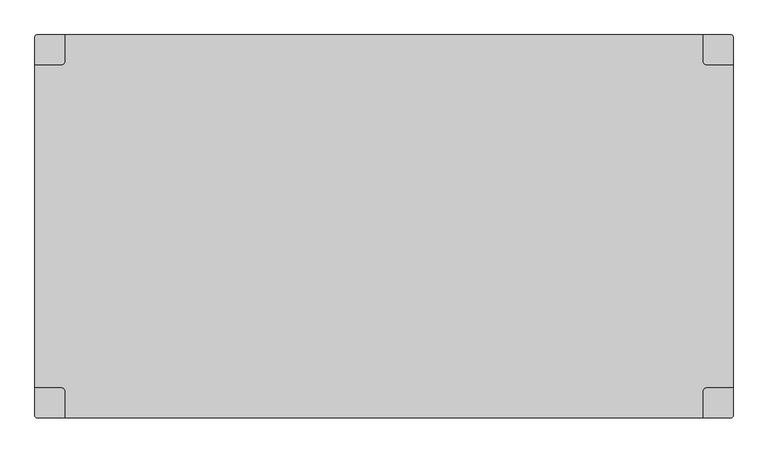
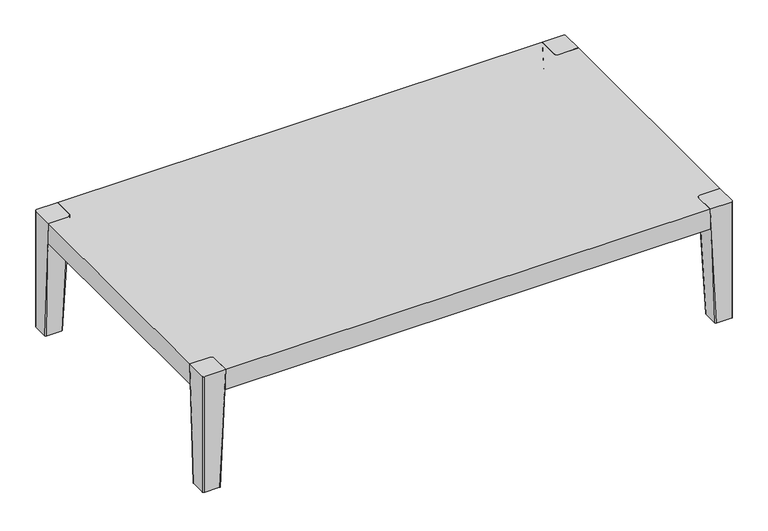
"""IFC4 building model written with IfcOpenShell, lengths in millimetres: furniture geometry."""

from ifc_helpers import new_model, si_unit, point, frame, frame_2d, origin, place, context, project, spatial, polyline, circle_curve, ellipse_curve, trimmed, segment, composite_curve, outline, extrude, source, transform, mapped, element, save
from ifc_brep_helpers import plane_surface, cylinder_surface, revolved_surface, spline_surface, advanced_brep


def furniture_fe912756(model_context):
    return source(origin(), model_context, "Body", "SolidModel", [
        advanced_brep(
        [(-542.3233778, -288.6885345, 0.0), (-528.599858, -288.6885345, 0.0), (-535.4616179, -288.6885345, 0.0), (-535.4616179, -288.6885345, 6.3500002), (-534.0524379, -288.6885345, 6.3500002), (-536.8707979, -288.6885345, 6.3500002), (-536.8707979, -288.6885345, 4.7625), (-534.0524379, -288.6885345, 4.7625), (-528.599858, -288.6885345, 1.6013961), (-542.3233778, -288.6885345, 1.6013961)],
        [
            (0, 1, circle_curve(frame((-535.4616179, -288.6885345, 0.0), z_axis=(0.0, 0.0, -1.0), x_axis=(1.0, 0.0, 0.0)), 6.8617599)),
            (1, 2),
            (2, 0),
            (1, 0, circle_curve(frame((-535.4616179, -288.6885345, 0.0), z_axis=(0.0, 0.0, -1.0), x_axis=(1.0, 0.0, 0.0)), 6.8617599)),
            (3, 4),
            (4, 5, circle_curve(frame((-535.4616179, -288.6885345, 6.3500002), z_axis=(0.0, 0.0, 1.0), x_axis=(1.0, 0.0, 0.0)), 1.40918)),
            (5, 3),
            (5, 4, circle_curve(frame((-535.4616179, -288.6885345, 6.3500002), z_axis=(0.0, 0.0, 1.0), x_axis=(1.0, 0.0, 0.0)), 1.40918)),
            (6, 7, circle_curve(frame((-535.4616179, -288.6885345, 4.7625), z_axis=(0.0, 0.0, -1.0), x_axis=(1.0, 0.0, 0.0)), 1.40918)),
            (7, 8, circle_curve(frame((-528.599858, -288.6885345, 7.8845184), z_axis=(0.0, -1.0, 0.0), x_axis=(1.0, 0.0, 0.0)), 6.2831224)),
            (8, 9, circle_curve(frame((-535.4616179, -288.6885345, 1.6013961), z_axis=(0.0, 0.0, 1.0), x_axis=(1.0, 0.0, 0.0)), 6.8617599)),
            (9, 6, circle_curve(frame((-542.3233778, -288.6885345, 7.8845184), z_axis=(0.0, -1.0, 0.0), x_axis=(-1.0, 0.0, 0.0)), 6.2831224)),
            (7, 6, circle_curve(frame((-535.4616179, -288.6885345, 4.7625), z_axis=(0.0, 0.0, -1.0), x_axis=(1.0, 0.0, 0.0)), 1.40918)),
            (9, 8, circle_curve(frame((-535.4616179, -288.6885345, 1.6013961), z_axis=(0.0, 0.0, 1.0), x_axis=(1.0, 0.0, 0.0)), 6.8617599)),
            (8, 1, circle_curve(frame((-528.599858, -288.6885345, 0.800698), z_axis=(0.0, 1.0, 0.0), x_axis=(1.0, 0.0, 0.0)), 0.800698)),
            (0, 9, circle_curve(frame((-542.3233778, -288.6885345, 0.800698), z_axis=(0.0, 1.0, 0.0), x_axis=(-1.0, 0.0, 0.0)), 0.800698)),
            (4, 7),
            (6, 5),
        ],
        [
            plane_surface(frame((-535.4616179, -288.6885345, 0.0), z_axis=(0.0, 0.0, -1.0), x_axis=(1.0, 0.0, 0.0))),
            plane_surface(frame((-535.4616179, -288.6885345, 6.3500002), z_axis=(0.0, 0.0, 1.0), x_axis=(1.0, 0.0, 0.0))),
            revolved_surface(trimmed(ellipse_curve(frame((-528.599858, -288.6885345, 7.8845184), z_axis=(0.0, 1.0, 0.0), x_axis=(1.0, 0.0, 0.0)), 6.2831224, 6.2831224), [point((-528.599858, -288.6885345, 1.6013961))], [point((-534.0524379, -288.6885345, 4.7625))], True, "CARTESIAN"), (-535.4616179, -288.6885345, 0.0), (0.0, 0.0, 1.0)),
            revolved_surface(trimmed(ellipse_curve(frame((-528.599858, -288.6885345, 0.800698), z_axis=(0.0, -1.0, 0.0), x_axis=(1.0, 0.0, 0.0)), 0.800698, 0.800698), [point((-528.599858, -288.6885345, 0.0))], [point((-528.599858, -288.6885345, 1.6013961))], True, "CARTESIAN"), (-535.4616179, -288.6885345, 0.0), (0.0, 0.0, 1.0)),
            cylinder_surface(frame((-535.4616179, -288.6885345, 0.0), z_axis=(0.0, 0.0, 1.0), x_axis=(1.0, 0.0, 0.0)), 1.40918),
        ],
        [
            (0, [[1, 2, 3]]),
            (0, [[4, -3, -2]]),
            (1, [[5, 6, 7]]),
            (1, [[-7, 8, -5]]),
            (2, [[9, 10, 11, 12]]),
            (2, [[13, -12, 14, -10]]),
            (3, [[-11, 15, -1, 16]]),
            (3, [[-14, -16, -4, -15]]),
            (4, [[-6, 17, -9, 18]]),
            (4, [[-8, -18, -13, -17]]),
        ],
    ),
        advanced_brep(
        [(522.2975991, 280.628653, 0.0), (536.0211188, 280.628653, 0.0), (529.1593589, 280.628653, 0.0), (529.1593589, 280.628653, 6.3500002), (530.5685389, 280.628653, 6.3500002), (527.750179, 280.628653, 6.3500002), (527.750179, 280.628653, 4.7625), (530.5685389, 280.628653, 4.7625), (536.0211188, 280.628653, 1.6013961), (522.2975991, 280.628653, 1.6013961)],
        [
            (0, 1, circle_curve(frame((529.1593589, 280.628653, 0.0), z_axis=(0.0, 0.0, -1.0), x_axis=(1.0, 0.0, 0.0)), 6.8617599)),
            (1, 2),
            (2, 0),
            (1, 0, circle_curve(frame((529.1593589, 280.628653, 0.0), z_axis=(0.0, 0.0, -1.0), x_axis=(1.0, 0.0, 0.0)), 6.8617599)),
            (3, 4),
            (4, 5, circle_curve(frame((529.1593589, 280.628653, 6.3500002), z_axis=(0.0, 0.0, 1.0), x_axis=(1.0, 0.0, 0.0)), 1.40918)),
            (5, 3),
            (5, 4, circle_curve(frame((529.1593589, 280.628653, 6.3500002), z_axis=(0.0, 0.0, 1.0), x_axis=(1.0, 0.0, 0.0)), 1.40918)),
            (6, 7, circle_curve(frame((529.1593589, 280.628653, 4.7625), z_axis=(0.0, 0.0, -1.0), x_axis=(1.0, 0.0, 0.0)), 1.40918)),
            (7, 8, circle_curve(frame((536.0211188, 280.628653, 7.8845184), z_axis=(0.0, -1.0, 0.0), x_axis=(1.0, 0.0, 0.0)), 6.2831224)),
            (8, 9, circle_curve(frame((529.1593589, 280.628653, 1.6013961), z_axis=(0.0, 0.0, 1.0), x_axis=(1.0, 0.0, 0.0)), 6.8617599)),
            (9, 6, circle_curve(frame((522.2975991, 280.628653, 7.8845184), z_axis=(0.0, -1.0, 0.0), x_axis=(-1.0, 0.0, 0.0)), 6.2831224)),
            (7, 6, circle_curve(frame((529.1593589, 280.628653, 4.7625), z_axis=(0.0, 0.0, -1.0), x_axis=(1.0, 0.0, 0.0)), 1.40918)),
            (9, 8, circle_curve(frame((529.1593589, 280.628653, 1.6013961), z_axis=(0.0, 0.0, 1.0), x_axis=(1.0, 0.0, 0.0)), 6.8617599)),
            (8, 1, circle_curve(frame((536.0211188, 280.628653, 0.800698), z_axis=(0.0, 1.0, 0.0), x_axis=(1.0, 0.0, 0.0)), 0.800698)),
            (0, 9, circle_curve(frame((522.2975991, 280.628653, 0.800698), z_axis=(0.0, 1.0, 0.0), x_axis=(-1.0, 0.0, 0.0)), 0.800698)),
            (4, 7),
            (6, 5),
        ],
        [
            plane_surface(frame((529.1593589, 280.628653, 0.0), z_axis=(0.0, 0.0, -1.0), x_axis=(1.0, 0.0, 0.0))),
            plane_surface(frame((529.1593589, 280.628653, 6.3500002), z_axis=(0.0, 0.0, 1.0), x_axis=(1.0, 0.0, 0.0))),
            revolved_surface(trimmed(ellipse_curve(frame((536.0211188, 280.628653, 7.8845184), z_axis=(0.0, 1.0, 0.0), x_axis=(1.0, 0.0, 0.0)), 6.2831224, 6.2831224), [point((536.0211188, 280.628653, 1.6013961))], [point((530.5685389, 280.628653, 4.7625))], True, "CARTESIAN"), (529.1593589, 280.628653, 0.0), (0.0, 0.0, 1.0)),
            revolved_surface(trimmed(ellipse_curve(frame((536.0211188, 280.628653, 0.800698), z_axis=(0.0, -1.0, 0.0), x_axis=(1.0, 0.0, 0.0)), 0.800698, 0.800698), [point((536.0211188, 280.628653, 0.0))], [point((536.0211188, 280.628653, 1.6013961))], True, "CARTESIAN"), (529.1593589, 280.628653, 0.0), (0.0, 0.0, 1.0)),
            cylinder_surface(frame((529.1593589, 280.628653, 0.0), z_axis=(0.0, 0.0, 1.0), x_axis=(1.0, 0.0, 0.0)), 1.40918),
        ],
        [
            (0, [[1, 2, 3]]),
            (0, [[4, -3, -2]]),
            (1, [[5, 6, 7]]),
            (1, [[-7, 8, -5]]),
            (2, [[9, 10, 11, 12]]),
            (2, [[13, -12, 14, -10]]),
            (3, [[-11, 15, -1, 16]]),
            (3, [[-14, -16, -4, -15]]),
            (4, [[-6, 17, -9, 18]]),
            (4, [[-8, -18, -13, -17]]),
        ],
    ),
        advanced_brep(
        [(-542.3543768, 280.628653, 0.0), (-528.6308571, 280.628653, 0.0), (-535.4926169, 280.628653, 0.0), (-535.4926169, 280.628653, 6.3500002), (-534.083437, 280.628653, 6.3500002), (-536.9017969, 280.628653, 6.3500002), (-536.9017969, 280.628653, 4.7625), (-534.083437, 280.628653, 4.7625), (-528.6308571, 280.628653, 1.6013961), (-542.3543768, 280.628653, 1.6013961)],
        [
            (0, 1, circle_curve(frame((-535.4926169, 280.628653, 0.0), z_axis=(0.0, 0.0, -1.0), x_axis=(1.0, 0.0, 0.0)), 6.8617599)),
            (1, 2),
            (2, 0),
            (1, 0, circle_curve(frame((-535.4926169, 280.628653, 0.0), z_axis=(0.0, 0.0, -1.0), x_axis=(1.0, 0.0, 0.0)), 6.8617599)),
            (3, 4),
            (4, 5, circle_curve(frame((-535.4926169, 280.628653, 6.3500002), z_axis=(0.0, 0.0, 1.0), x_axis=(1.0, 0.0, 0.0)), 1.40918)),
            (5, 3),
            (5, 4, circle_curve(frame((-535.4926169, 280.628653, 6.3500002), z_axis=(0.0, 0.0, 1.0), x_axis=(1.0, 0.0, 0.0)), 1.40918)),
            (6, 7, circle_curve(frame((-535.4926169, 280.628653, 4.7625), z_axis=(0.0, 0.0, -1.0), x_axis=(1.0, 0.0, 0.0)), 1.40918)),
            (7, 8, circle_curve(frame((-528.6308571, 280.628653, 7.8845184), z_axis=(0.0, -1.0, 0.0), x_axis=(1.0, 0.0, 0.0)), 6.2831224)),
            (8, 9, circle_curve(frame((-535.4926169, 280.628653, 1.6013961), z_axis=(0.0, 0.0, 1.0), x_axis=(1.0, 0.0, 0.0)), 6.8617599)),
            (9, 6, circle_curve(frame((-542.3543768, 280.628653, 7.8845184), z_axis=(0.0, -1.0, 0.0), x_axis=(-1.0, 0.0, 0.0)), 6.2831224)),
            (7, 6, circle_curve(frame((-535.4926169, 280.628653, 4.7625), z_axis=(0.0, 0.0, -1.0), x_axis=(1.0, 0.0, 0.0)), 1.40918)),
            (9, 8, circle_curve(frame((-535.4926169, 280.628653, 1.6013961), z_axis=(0.0, 0.0, 1.0), x_axis=(1.0, 0.0, 0.0)), 6.8617599)),
            (8, 1, circle_curve(frame((-528.6308571, 280.628653, 0.800698), z_axis=(0.0, 1.0, 0.0), x_axis=(1.0, 0.0, 0.0)), 0.800698)),
            (0, 9, circle_curve(frame((-542.3543768, 280.628653, 0.800698), z_axis=(0.0, 1.0, 0.0), x_axis=(-1.0, 0.0, 0.0)), 0.800698)),
            (4, 7),
            (6, 5),
        ],
        [
            plane_surface(frame((-535.4926169, 280.628653, 0.0), z_axis=(0.0, 0.0, -1.0), x_axis=(1.0, 0.0, 0.0))),
            plane_surface(frame((-535.4926169, 280.628653, 6.3500002), z_axis=(0.0, 0.0, 1.0), x_axis=(1.0, 0.0, 0.0))),
            revolved_surface(trimmed(ellipse_curve(frame((-528.6308571, 280.628653, 7.8845184), z_axis=(0.0, 1.0, 0.0), x_axis=(1.0, 0.0, 0.0)), 6.2831224, 6.2831224), [point((-528.6308571, 280.628653, 1.6013961))], [point((-534.083437, 280.628653, 4.7625))], True, "CARTESIAN"), (-535.4926169, 280.628653, 0.0), (0.0, 0.0, 1.0)),
            revolved_surface(trimmed(ellipse_curve(frame((-528.6308571, 280.628653, 0.800698), z_axis=(0.0, -1.0, 0.0), x_axis=(1.0, 0.0, 0.0)), 0.800698, 0.800698), [point((-528.6308571, 280.628653, 0.0))], [point((-528.6308571, 280.628653, 1.6013961))], True, "CARTESIAN"), (-535.4926169, 280.628653, 0.0), (0.0, 0.0, 1.0)),
            cylinder_surface(frame((-535.4926169, 280.628653, 0.0), z_axis=(0.0, 0.0, 1.0), x_axis=(1.0, 0.0, 0.0)), 1.40918),
        ],
        [
            (0, [[1, 2, 3]]),
            (0, [[4, -3, -2]]),
            (1, [[5, 6, 7]]),
            (1, [[-7, 8, -5]]),
            (2, [[9, 10, 11, 12]]),
            (2, [[13, -12, 14, -10]]),
            (3, [[-11, 15, -1, 16]]),
            (3, [[-14, -16, -4, -15]]),
            (4, [[-6, 17, -9, 18]]),
            (4, [[-8, -18, -13, -17]]),
        ],
    ),
        advanced_brep(
        [(-549.2581575, 297.5950592, 260.35), (-552.45, 294.4032167, 260.35), (-552.45, 250.316402, 260.35), (-511.558744, 250.316402, 260.35), (-505.208744, 256.666402, 260.35), (-505.208744, 297.5950592, 260.35), (-549.275, 297.5950592, 6.3500002), (-518.5716941, 297.5950592, 6.3500002), (-515.3966941, 294.4200592, 6.3500002), (-515.3966941, 263.638133, 6.3500002), (-518.530475, 260.5043521, 6.3500002), (-549.3058826, 260.5043521, 6.3500002), (-552.45, 263.6484695, 6.3500002), (-552.45, 294.4200592, 6.3500002)],
        [
            (0, 1, circle_curve(frame((-549.2581575, 294.4032167, 260.35), z_axis=(0.0, 0.0, 1.0), x_axis=(-1.0, 0.0, 0.0)), 3.1918425)),
            (1, 2),
            (2, 3),
            (3, 4, circle_curve(frame((-511.558744, 256.666402, 260.35), z_axis=(0.0, 0.0, 1.0), x_axis=(-1.0, 0.0, 0.0)), 6.35)),
            (4, 5),
            (5, 0),
            (6, 7),
            (7, 8, circle_curve(frame((-518.5716941, 294.4200592, 6.3500002), z_axis=(0.0, 0.0, -1.0), x_axis=(-1.0, 0.0, 0.0)), 3.175)),
            (8, 9),
            (9, 10, circle_curve(frame((-518.530475, 263.638133, 6.3500002), z_axis=(0.0, 0.0, -1.0), x_axis=(-1.0, 0.0, 0.0)), 3.1337809)),
            (10, 11),
            (11, 12, circle_curve(frame((-549.3058826, 263.6484695, 6.3500002), z_axis=(0.0, 0.0, -1.0), x_axis=(-1.0, 0.0, 0.0)), 3.1441174)),
            (12, 13),
            (13, 6, circle_curve(frame((-549.275, 294.4200592, 6.3500002), z_axis=(0.0, 0.0, -1.0), x_axis=(-1.0, 0.0, 0.0)), 3.175)),
            (6, 0),
            (5, 7),
            (8, 5),
            (4, 9),
            (10, 3),
            (2, 11),
            (12, 2),
            (1, 13),
        ],
        [
            plane_surface(frame((-529.3557316, 274.4820902, 260.35), z_axis=(0.0, 0.0, 1.0), x_axis=(-1.0, 0.0, 0.0))),
            plane_surface(frame((-533.922055, 279.040693, 6.3500002), z_axis=(0.0, 0.0, -1.0), x_axis=(-1.0, 0.0, 0.0))),
            plane_surface(frame((-533.923347, 297.5950592, 6.3500002), z_axis=(0.0, 1.0, 0.0), x_axis=(-1.0, 0.0, 0.0))),
            plane_surface(frame((-515.3966941, 279.0290961, 6.3500002), z_axis=(0.999196561664036, 0.0, -0.04007781379726477), x_axis=(0.0, 1.0, 0.0))),
            plane_surface(frame((-533.9181788, 260.5043521, 6.3500002), z_axis=(0.0, -0.999196561664036, -0.04007781379726502), x_axis=(1.0, 0.0, 0.0))),
            plane_surface(frame((-552.45, 279.0342644, 6.3500002), z_axis=(-1.0, 0.0, 0.0), x_axis=(0.0, -1.0, 0.0))),
            spline_surface(2, 1, [[(-515.3966941, 294.4200592, 6.3500002), (-505.208744, 297.5950592, 260.35)], [(-515.3966941, 297.5950592, 6.3500002), (-505.208744, 297.5950592, 260.35)], [(-518.5716941, 297.5950592, 6.3500002), (-505.208744, 297.5950592, 260.35)]], [3, 3], [2, 2], [0.0, 1.0], [0.0, 1.0], weights=[[1.0, 1.0], [0.7071067811865476, 0.7071067811865476], [1.0, 1.0]]),
            spline_surface(2, 1, [[(-518.530475, 260.5043521, 6.3500002), (-511.558744, 250.316402, 260.35)], [(-515.3966941000001, 260.5043521, 6.3500002), (-505.208744, 250.31640199999998, 260.35)], [(-515.3966941, 263.638133, 6.3500002), (-505.208744, 256.666402, 260.35)]], [3, 3], [2, 2], [0.0, 1.0], [0.0, 1.0], weights=[[1.0, 1.0], [0.7071067811865459, 0.7071067811865459], [1.0, 1.0]]),
            spline_surface(2, 1, [[(-552.45, 263.6484695, 6.3500002), (-552.45, 250.316402, 260.35)], [(-552.4500000000002, 260.50435209999995, 6.3500002), (-552.45, 250.316402, 260.35)], [(-549.3058826, 260.5043521, 6.3500002), (-552.45, 250.316402, 260.35)]], [3, 3], [2, 2], [0.0, 1.0], [0.0, 1.0], weights=[[1.0, 1.0], [0.7071067811865411, 0.7071067811865411], [1.0, 1.0]]),
            spline_surface(2, 1, [[(-549.275, 297.5950592, 6.3500002), (-549.2581575, 297.5950592, 260.35)], [(-552.4499999999999, 297.5950592, 6.3500002), (-552.45, 297.5950592, 260.35)], [(-552.45, 294.4200592, 6.3500002), (-552.45, 294.4032167, 260.35)]], [3, 3], [2, 2], [0.0, 1.0], [0.0, 1.0], weights=[[1.0, 1.0], [0.7071067811865476, 0.7071067811865476], [1.0, 1.0]]),
        ],
        [
            (0, [[1, 2, 3, 4, 5, 6]]),
            (1, [[7, 8, 9, 10, 11, 12, 13, 14]]),
            (2, [[-7, 15, -6, 16]]),
            (3, [[-9, 17, -5, 18]]),
            (4, [[-11, 19, -3, 20]]),
            (5, [[-13, 21, -2, 22]]),
            (6, [[-8, -16, -17]]),
            (7, [[-10, -18, -4, -19]]),
            (8, [[-12, -20, -21]]),
            (9, [[-14, -22, -1, -15]]),
        ],
    ),
        advanced_brep(
        [(542.8792474, 297.5950592, 260.35), (498.858744, 297.5950592, 260.35), (498.858744, 256.666402, 260.35), (505.208744, 250.316402, 260.35), (546.1, 250.316402, 260.35), (546.1, 294.3743066, 260.35), (542.925, 297.5950592, 6.3500002), (546.1, 294.4200592, 6.3500002), (546.1, 263.6484695, 6.3500002), (542.9558826, 260.5043521, 6.3500002), (512.180475, 260.5043521, 6.3500002), (509.0466941, 263.638133, 6.3500002), (509.0466941, 294.4200592, 6.3500002), (512.2216941, 297.5950592, 6.3500002)],
        [
            (0, 1),
            (1, 2),
            (2, 3, circle_curve(frame((505.208744, 256.666402, 260.35), z_axis=(0.0, 0.0, 1.0), x_axis=(1.0, 0.0, 0.0)), 6.35)),
            (3, 4),
            (4, 5),
            (5, 0, circle_curve(frame((542.8792474, 294.3743066, 260.35), z_axis=(0.0, 0.0, 1.0), x_axis=(1.0, 0.0, 0.0)), 3.2207526)),
            (6, 7, circle_curve(frame((542.925, 294.4200592, 6.3500002), z_axis=(0.0, 0.0, -1.0), x_axis=(1.0, 0.0, 0.0)), 3.175)),
            (7, 8),
            (8, 9, circle_curve(frame((542.9558826, 263.6484695, 6.3500002), z_axis=(0.0, 0.0, -1.0), x_axis=(1.0, 0.0, 0.0)), 3.1441174)),
            (9, 10),
            (10, 11, circle_curve(frame((512.180475, 263.638133, 6.3500002), z_axis=(0.0, 0.0, -1.0), x_axis=(1.0, 0.0, 0.0)), 3.1337809)),
            (11, 12),
            (12, 13, circle_curve(frame((512.2216941, 294.4200592, 6.3500002), z_axis=(0.0, 0.0, -1.0), x_axis=(1.0, 0.0, 0.0)), 3.175)),
            (13, 6),
            (13, 1),
            (0, 6),
            (11, 2),
            (1, 12),
            (9, 4),
            (3, 10),
            (7, 5),
            (4, 8),
        ],
        [
            plane_surface(frame((523.0009132, 274.4772719, 260.35), z_axis=(0.0, 0.0, 1.0), x_axis=(-1.0, 0.0, 0.0))),
            plane_surface(frame((527.572055, 279.040693, 6.3500002), z_axis=(0.0, 0.0, -1.0), x_axis=(-1.0, 0.0, 0.0))),
            plane_surface(frame((527.573347, 297.5950592, 6.3500002), z_axis=(0.0, 1.0, 0.0), x_axis=(-1.0, 0.0, 0.0))),
            plane_surface(frame((509.0466941, 279.0290961, 6.3500002), z_axis=(-0.9991965616640381, 0.0, -0.04007781379721294), x_axis=(0.0, -1.0, 0.0))),
            plane_surface(frame((527.5681788, 260.5043521, 6.3500002), z_axis=(0.0, -0.9991965616640338, -0.040077813797321254), x_axis=(1.0, 0.0, 0.0))),
            plane_surface(frame((546.1, 279.0342644, 6.3500002), z_axis=(1.0, 0.0, 0.0), x_axis=(0.0, 1.0, 0.0))),
            spline_surface(2, 1, [[(512.2216941, 297.5950592, 6.3500002), (498.858744, 297.5950592, 260.35)], [(509.0466941000001, 297.5950591999999, 6.3500002), (498.858744, 297.5950592, 260.35)], [(509.0466941, 294.4200592, 6.3500002), (498.858744, 297.5950592, 260.35)]], [3, 3], [2, 2], [0.0, 1.0], [0.0, 1.0], weights=[[1.0, 1.0], [0.7071067811865538, 0.7071067811865538], [1.0, 1.0]]),
            spline_surface(2, 1, [[(509.0466941, 263.638133, 6.3500002), (498.858744, 256.666402, 260.35)], [(509.0466941, 260.5043521, 6.3500002), (498.858744, 250.31640199999998, 260.35)], [(512.180475, 260.5043521, 6.3500002), (505.208744, 250.316402, 260.35)]], [3, 3], [2, 2], [0.0, 1.0], [0.0, 1.0], weights=[[1.0, 1.0], [0.7071067811865459, 0.7071067811865459], [1.0, 1.0]]),
            spline_surface(2, 1, [[(542.9558826, 260.5043521, 6.3500002), (546.1, 250.316402, 260.35)], [(546.0999999999999, 260.50435210000006, 6.3500002), (546.1, 250.316402, 260.35)], [(546.1, 263.6484695, 6.3500002), (546.1, 250.316402, 260.35)]], [3, 3], [2, 2], [0.0, 1.0], [0.0, 1.0], weights=[[1.0, 1.0], [0.7071067811865539, 0.7071067811865539], [1.0, 1.0]]),
            spline_surface(2, 1, [[(546.1, 294.4200592, 6.3500002), (546.1, 294.3743066, 260.35)], [(546.1, 297.5950592000001, 6.3500002), (546.1, 297.5950592, 260.35)], [(542.925, 297.5950592, 6.3500002), (542.8792474, 297.5950592, 260.35)]], [3, 3], [2, 2], [0.0, 1.0], [0.0, 1.0], weights=[[1.0, 1.0], [0.7071067811865476, 0.7071067811865476], [1.0, 1.0]]),
        ],
        [
            (0, [[1, 2, 3, 4, 5, 6]]),
            (1, [[7, 8, 9, 10, 11, 12, 13, 14]]),
            (2, [[-14, 15, -1, 16]]),
            (3, [[-12, 17, -2, 18]]),
            (4, [[-10, 19, -4, 20]]),
            (5, [[-8, 21, -5, 22]]),
            (6, [[-13, -18, -15]]),
            (7, [[-11, -20, -3, -17]]),
            (8, [[-9, -22, -19]]),
            (9, [[-7, -16, -6, -21]]),
        ],
    ),
        advanced_brep(
        [(542.8870244, -305.6549408, 260.35), (546.1, -302.4419652, 260.35), (546.1, -258.3762836, 260.35), (505.208744, -258.3762836, 260.35), (498.858744, -264.7262836, 260.35), (498.858744, -305.6549408, 260.35), (542.925, -305.6549408, 6.3500002), (512.2216941, -305.6549408, 6.3500002), (509.0466941, -302.4799408, 6.3500002), (509.0466941, -271.6980146, 6.3500002), (512.180475, -268.5642337, 6.3500002), (542.9558826, -268.5642337, 6.3500002), (546.1, -271.7083511, 6.3500002), (546.1, -302.4799408, 6.3500002)],
        [
            (0, 1, circle_curve(frame((542.8870244, -302.4419652, 260.35), z_axis=(0.0, 0.0, 1.0), x_axis=(1.0, 0.0, 0.0)), 3.2129756)),
            (1, 2),
            (2, 3),
            (3, 4, circle_curve(frame((505.208744, -264.7262836, 260.35), z_axis=(0.0, 0.0, 1.0), x_axis=(1.0, 0.0, 0.0)), 6.35)),
            (4, 5),
            (5, 0),
            (6, 7),
            (7, 8, circle_curve(frame((512.2216941, -302.4799408, 6.3500002), z_axis=(0.0, 0.0, -1.0), x_axis=(1.0, 0.0, 0.0)), 3.175)),
            (8, 9),
            (9, 10, circle_curve(frame((512.180475, -271.6980146, 6.3500002), z_axis=(0.0, 0.0, -1.0), x_axis=(1.0, 0.0, 0.0)), 3.1337809)),
            (10, 11),
            (11, 12, circle_curve(frame((542.9558826, -271.7083511, 6.3500002), z_axis=(0.0, 0.0, -1.0), x_axis=(1.0, 0.0, 0.0)), 3.1441174)),
            (12, 13),
            (13, 6, circle_curve(frame((542.925, -302.4799408, 6.3500002), z_axis=(0.0, 0.0, -1.0), x_axis=(1.0, 0.0, 0.0)), 3.175)),
            (6, 0),
            (5, 7),
            (8, 5),
            (4, 9),
            (10, 3),
            (2, 11),
            (12, 2),
            (1, 13),
        ],
        [
            plane_surface(frame((523.0022094, -282.5384496, 260.35), z_axis=(0.0, 0.0, 1.0), x_axis=(1.0, 0.0, 0.0))),
            plane_surface(frame((527.572055, -287.1005745, 6.3500002), z_axis=(0.0, 0.0, -1.0), x_axis=(1.0, 0.0, 0.0))),
            plane_surface(frame((527.573347, -305.6549408, 6.3500002), z_axis=(0.0, -1.0, -1.9336532389698428e-12), x_axis=(1.0, 0.0, 0.0))),
            plane_surface(frame((509.0466941, -287.0889777, 6.3500002), z_axis=(-0.9991965616640378, 0.0, -0.04007781379722224), x_axis=(0.0, -1.0, 0.0))),
            plane_surface(frame((527.5681788, -268.5642337, 6.3500002), z_axis=(0.0, 0.9991965616640522, -0.04007781379686034), x_axis=(-1.0, 0.0, 0.0))),
            plane_surface(frame((546.1, -287.0941459, 6.3500002), z_axis=(1.0, 0.0, 0.0), x_axis=(0.0, 1.0, 0.0))),
            spline_surface(2, 1, [[(509.0466941, -302.4799408, 6.3500002), (498.858744, -305.6549408, 260.35)], [(509.0466941, -305.6549408, 6.3500002), (498.858744, -305.6549408, 260.35)], [(512.2216941, -305.6549408, 6.3500002), (498.858744, -305.6549408, 260.35)]], [3, 3], [2, 2], [0.0, 1.0], [0.0, 1.0], weights=[[1.0, 1.0], [0.7071067811865476, 0.7071067811865476], [1.0, 1.0]]),
            spline_surface(2, 1, [[(512.180475, -268.5642337, 6.3500002), (505.208744, -258.3762836, 260.35)], [(509.04669409999997, -268.5642337, 6.3500002), (498.85874400000006, -258.3762836000001, 260.35)], [(509.0466941, -271.6980146, 6.3500002), (498.858744, -264.7262836, 260.35)]], [3, 3], [2, 2], [0.0, 1.0], [0.0, 1.0], weights=[[1.0, 1.0], [0.7071067811865507, 0.7071067811865507], [1.0, 1.0]]),
            spline_surface(2, 1, [[(546.1, -271.7083511, 6.3500002), (546.1, -258.3762836, 260.35)], [(546.1, -268.5642337, 6.3500002), (546.1, -258.3762836, 260.35)], [(542.9558826, -268.5642337, 6.3500002), (546.1, -258.3762836, 260.35)]], [3, 3], [2, 2], [0.0, 1.0], [0.0, 1.0], weights=[[1.0, 1.0], [0.7071067811865476, 0.7071067811865476], [1.0, 1.0]]),
            spline_surface(2, 1, [[(542.925, -305.6549408, 6.3500002), (542.8870244, -305.6549408, 260.35)], [(546.0999999999999, -305.65494079999996, 6.3500002), (546.0999999999999, -305.65494079999996, 260.35)], [(546.1, -302.4799408, 6.3500002), (546.1, -302.4419652, 260.35)]], [3, 3], [2, 2], [0.0, 1.0], [0.0, 1.0], weights=[[1.0, 1.0], [0.7071067811865538, 0.7071067811865538], [1.0, 1.0]]),
        ],
        [
            (0, [[1, 2, 3, 4, 5, 6]]),
            (1, [[7, 8, 9, 10, 11, 12, 13, 14]]),
            (2, [[-7, 15, -6, 16]]),
            (3, [[-9, 17, -5, 18]]),
            (4, [[-11, 19, -3, 20]]),
            (5, [[-13, 21, -2, 22]]),
            (6, [[-8, -16, -17]]),
            (7, [[-10, -18, -4, -19]]),
            (8, [[-12, -20, -21]]),
            (9, [[-14, -22, -1, -15]]),
        ],
    ),
        advanced_brep(
        [(-549.275, -305.6549408, 260.35), (-505.208744, -305.6549408, 260.35), (-505.208744, -264.7262836, 260.35), (-511.558744, -258.3762836, 260.35), (-552.45, -258.3762836, 260.35), (-552.45, -302.4799408, 260.35), (-549.275, -305.6549408, 6.3500002), (-552.45, -302.4799408, 6.3500002), (-552.45, -271.7083511, 6.3500002), (-549.3058826, -268.5642337, 6.3500002), (-518.530475, -268.5642337, 6.3500002), (-515.3966941, -271.6980146, 6.3500002), (-515.3966941, -302.4799408, 6.3500002), (-518.5716941, -305.6549408, 6.3500002)],
        [
            (0, 1),
            (1, 2),
            (2, 3, circle_curve(frame((-511.558744, -264.7262836, 260.35), z_axis=(0.0, 0.0, 1.0), x_axis=(-1.0, 0.0, 0.0)), 6.35)),
            (3, 4),
            (4, 5),
            (5, 0, circle_curve(frame((-549.275, -302.4799408, 260.35), z_axis=(0.0, 1.163069641463878e-12, 1.0), x_axis=(0.0, -1.0, 0.0)), 3.175)),
            (6, 7, circle_curve(frame((-549.275, -302.4799408, 6.3500002), z_axis=(0.0, -1.163069641463878e-12, -1.0), x_axis=(0.0, -1.0, 0.0)), 3.175)),
            (7, 8),
            (8, 9, circle_curve(frame((-549.3058826, -271.7083511, 6.3500002), z_axis=(0.0, 0.0, -1.0), x_axis=(-1.0, 0.0, 0.0)), 3.1441174)),
            (9, 10),
            (10, 11, circle_curve(frame((-518.530475, -271.6980146, 6.3500002), z_axis=(0.0, 0.0, -1.0), x_axis=(-1.0, 0.0, 0.0)), 3.1337809)),
            (11, 12),
            (12, 13, circle_curve(frame((-518.5716941, -302.4799408, 6.3500002), z_axis=(0.0, 0.0, -1.0), x_axis=(-1.0, 0.0, 0.0)), 3.175)),
            (13, 6),
            (13, 1),
            (0, 6),
            (11, 2),
            (1, 12),
            (9, 4),
            (3, 10),
            (7, 5),
            (4, 8),
        ],
        [
            plane_surface(frame((-529.3585387, -282.5447788, 260.35), z_axis=(0.0, 0.0, 1.0), x_axis=(1.0, 0.0, 0.0))),
            plane_surface(frame((-533.922055, -287.1005745, 6.3500002), z_axis=(0.0, 0.0, -1.0), x_axis=(1.0, 0.0, 0.0))),
            plane_surface(frame((-533.923347, -305.6549408, 6.3500002), z_axis=(0.0, -1.0, 0.0), x_axis=(1.0, 0.0, 0.0))),
            plane_surface(frame((-515.3966941, -287.0889777, 6.3500002), z_axis=(0.9991965616640358, 0.0, -0.04007781379727222), x_axis=(0.0, 1.0, 0.0))),
            plane_surface(frame((-533.9181788, -268.5642337, 6.3500002), z_axis=(0.0, 0.9991965616640343, -0.04007781379730968), x_axis=(-1.0, 0.0, 0.0))),
            plane_surface(frame((-552.45, -287.0941459, 6.3500002), z_axis=(-1.0, 0.0, 0.0), x_axis=(0.0, -1.0, 0.0))),
            spline_surface(2, 1, [[(-518.5716941, -305.6549408, 6.3500002), (-505.208744, -305.6549408, 260.35)], [(-515.3966940999999, -305.6549408000001, 6.3500002), (-505.208744, -305.6549408, 260.35)], [(-515.3966941, -302.4799408, 6.3500002), (-505.208744, -305.6549408, 260.35)]], [3, 3], [2, 2], [0.0, 1.0], [0.0, 1.0], weights=[[1.0, 1.0], [0.7071067811865411, 0.7071067811865411], [1.0, 1.0]]),
            spline_surface(2, 1, [[(-515.3966941, -271.6980146, 6.3500002), (-505.208744, -264.7262836, 260.35)], [(-515.3966941, -268.5642337, 6.3500002), (-505.208744, -258.3762836, 260.35)], [(-518.530475, -268.5642337, 6.3500002), (-511.558744, -258.3762836, 260.35)]], [3, 3], [2, 2], [0.0, 1.0], [0.0, 1.0], weights=[[1.0, 1.0], [0.7071067811865476, 0.7071067811865476], [1.0, 1.0]]),
            spline_surface(2, 1, [[(-549.3058826, -268.5642337, 6.3500002), (-552.45, -258.3762836, 260.35)], [(-552.45, -268.5642337, 6.3500002), (-552.45, -258.3762836, 260.35)], [(-552.45, -271.7083511, 6.3500002), (-552.45, -258.3762836, 260.35)]], [3, 3], [2, 2], [0.0, 1.0], [0.0, 1.0], weights=[[1.0, 1.0], [0.7071067811865476, 0.7071067811865476], [1.0, 1.0]]),
            cylinder_surface(frame((-549.275, -302.4799408, 6.3500002), z_axis=(0.0, 1.163069641463878e-12, 1.0), x_axis=(0.0, -1.0, 0.0)), 3.175),
        ],
        [
            (0, [[1, 2, 3, 4, 5, 6]]),
            (1, [[7, 8, 9, 10, 11, 12, 13, 14]]),
            (2, [[-14, 15, -1, 16]]),
            (3, [[-12, 17, -2, 18]]),
            (4, [[-10, 19, -4, 20]]),
            (5, [[-8, 21, -5, 22]]),
            (6, [[-13, -18, -15]]),
            (7, [[-11, -20, -3, -17]]),
            (8, [[-9, -22, -19]]),
            (9, [[-7, -16, -6, -21]]),
        ],
    ),
        extrude(outline(composite_curve([segment(polyline([(498.858744, 297.5950592), (498.858744, 256.666402)]), True, "CONTINUOUS"), segment(trimmed(circle_curve(frame_2d((505.208744, 256.666402)), 6.35), [point((498.858744, 256.666402))], [point((503.9391642, 250.4446123))], True, "CARTESIAN"), True, "CONTINUOUS"), segment(polyline([(503.9391642, 250.4446123), (546.1, 250.4446123), (546.1, -258.3762836), (505.208744, -258.3762836)]), True, "CONTINUOUS"), segment(trimmed(circle_curve(frame_2d((505.208744, -264.7262836)), 6.35), [point((505.208744, -258.3762836))], [point((498.858744, -264.7262836))], True, "CARTESIAN"), True, "CONTINUOUS"), segment(polyline([(498.858744, -264.7262836), (498.858744, -305.6549408), (-505.208744, -305.6549408), (-505.208744, -264.7262836)]), True, "CONTINUOUS"), segment(trimmed(circle_curve(frame_2d((-511.558744, -264.7262836)), 6.35), [point((-505.208744, -264.7262836))], [point((-511.558744, -258.3762836))], True, "CARTESIAN"), True, "CONTINUOUS"), segment(polyline([(-511.558744, -258.3762836), (-552.45, -258.3762836), (-552.45, 250.4446123), (-510.2891642, 250.4446123)]), True, "CONTINUOUS"), segment(trimmed(circle_curve(frame_2d((-511.558744, 256.666402)), 6.35), [point((-510.2891642, 250.4446123))], [point((-505.208744, 256.666402))], True, "CARTESIAN"), True, "CONTINUOUS"), segment(polyline([(-505.208744, 256.666402), (-505.208744, 297.5950592), (498.858744, 297.5950592)]), True, "CONTINUOUS")], self_intersect=False)), frame((0.0, 0.0, 216.3960938), z_axis=(0.0, 0.0, 1.0), x_axis=(1.0, 0.0, 0.0)), (0.0, 0.0, 1.0), 43.9539063),
        advanced_brep(
        [(522.2727944, -288.6885345, 0.0), (535.9963141, -288.6885345, 0.0), (529.1345542, -288.6885345, 0.0), (529.1345542, -288.6885345, 6.3500002), (530.5437342, -288.6885345, 6.3500002), (527.7253743, -288.6885345, 6.3500002), (527.7253743, -288.6885345, 4.7625), (530.5437342, -288.6885345, 4.7625), (535.9963141, -288.6885345, 1.6013961), (522.2727944, -288.6885345, 1.6013961)],
        [
            (0, 1, circle_curve(frame((529.1345542, -288.6885345, 0.0), z_axis=(0.0, 0.0, -1.0), x_axis=(1.0, 0.0, 0.0)), 6.8617599)),
            (1, 2),
            (2, 0),
            (1, 0, circle_curve(frame((529.1345542, -288.6885345, 0.0), z_axis=(0.0, 0.0, -1.0), x_axis=(1.0, 0.0, 0.0)), 6.8617599)),
            (3, 4),
            (4, 5, circle_curve(frame((529.1345542, -288.6885345, 6.3500002), z_axis=(0.0, 0.0, 1.0), x_axis=(1.0, 0.0, 0.0)), 1.40918)),
            (5, 3),
            (5, 4, circle_curve(frame((529.1345542, -288.6885345, 6.3500002), z_axis=(0.0, 0.0, 1.0), x_axis=(1.0, 0.0, 0.0)), 1.40918)),
            (6, 7, circle_curve(frame((529.1345542, -288.6885345, 4.7625), z_axis=(0.0, 0.0, -1.0), x_axis=(1.0, 0.0, 0.0)), 1.40918)),
            (7, 8, circle_curve(frame((535.9963141, -288.6885345, 7.8845184), z_axis=(0.0, -1.0, 0.0), x_axis=(1.0, 0.0, 0.0)), 6.2831224)),
            (8, 9, circle_curve(frame((529.1345542, -288.6885345, 1.6013961), z_axis=(0.0, 0.0, 1.0), x_axis=(1.0, 0.0, 0.0)), 6.8617599)),
            (9, 6, circle_curve(frame((522.2727944, -288.6885345, 7.8845184), z_axis=(0.0, -1.0, 0.0), x_axis=(-1.0, 0.0, 0.0)), 6.2831224)),
            (7, 6, circle_curve(frame((529.1345542, -288.6885345, 4.7625), z_axis=(0.0, 0.0, -1.0), x_axis=(1.0, 0.0, 0.0)), 1.40918)),
            (9, 8, circle_curve(frame((529.1345542, -288.6885345, 1.6013961), z_axis=(0.0, 0.0, 1.0), x_axis=(1.0, 0.0, 0.0)), 6.8617599)),
            (8, 1, circle_curve(frame((535.9963141, -288.6885345, 0.800698), z_axis=(0.0, 1.0, 0.0), x_axis=(1.0, 0.0, 0.0)), 0.800698)),
            (0, 9, circle_curve(frame((522.2727944, -288.6885345, 0.800698), z_axis=(0.0, 1.0, 0.0), x_axis=(-1.0, 0.0, 0.0)), 0.800698)),
            (4, 7),
            (6, 5),
        ],
        [
            plane_surface(frame((529.1345542, -288.6885345, 0.0), z_axis=(0.0, 0.0, -1.0), x_axis=(1.0, 0.0, 0.0))),
            plane_surface(frame((529.1345542, -288.6885345, 6.3500002), z_axis=(0.0, 0.0, 1.0), x_axis=(1.0, 0.0, 0.0))),
            revolved_surface(trimmed(ellipse_curve(frame((535.9963141, -288.6885345, 7.8845184), z_axis=(0.0, 1.0, 0.0), x_axis=(1.0, 0.0, 0.0)), 6.2831224, 6.2831224), [point((535.9963141, -288.6885345, 1.6013961))], [point((530.5437342, -288.6885345, 4.7625))], True, "CARTESIAN"), (529.1345542, -288.6885345, 0.0), (0.0, 0.0, 1.0)),
            revolved_surface(trimmed(ellipse_curve(frame((535.9963141, -288.6885345, 0.800698), z_axis=(0.0, -1.0, 0.0), x_axis=(1.0, 0.0, 0.0)), 0.800698, 0.800698), [point((535.9963141, -288.6885345, 0.0))], [point((535.9963141, -288.6885345, 1.6013961))], True, "CARTESIAN"), (529.1345542, -288.6885345, 0.0), (0.0, 0.0, 1.0)),
            cylinder_surface(frame((529.1345542, -288.6885345, 0.0), z_axis=(0.0, 0.0, 1.0), x_axis=(1.0, 0.0, 0.0)), 1.40918),
        ],
        [
            (0, [[1, 2, 3]]),
            (0, [[4, -3, -2]]),
            (1, [[5, 6, 7]]),
            (1, [[-7, 8, -5]]),
            (2, [[9, 10, 11, 12]]),
            (2, [[13, -12, 14, -10]]),
            (3, [[-11, 15, -1, 16]]),
            (3, [[-14, -16, -4, -15]]),
            (4, [[-6, 17, -9, 18]]),
            (4, [[-8, -18, -13, -17]]),
        ],
    ),
    ])


if __name__ == "__main__":
    model = new_model("IFC4")
    model_context = context("Model", 3, world=origin())
    ifc_project = project(units=[si_unit("LENGTHUNIT", "METRE", prefix="MILLI")], contexts=[model_context])
    site = spatial("IfcSite", under=ifc_project)
    building = spatial("IfcBuilding", under=site)
    placement = place(None, origin())
    furniture_shape = furniture_fe912756(model_context)
    element("IfcFurniture", 1, at=placement, inside=building, context=model_context, shape_type="MappedRepresentation", body=[
        mapped(furniture_shape, transform((0.0, 0.0, 0.0), x_axis=(1.0, 0.0, 0.0), y_axis=(0.0, 1.0, 0.0), z_axis=(0.0, 0.0, 1.0))),
    ])
    save(model, "model.ifc")
